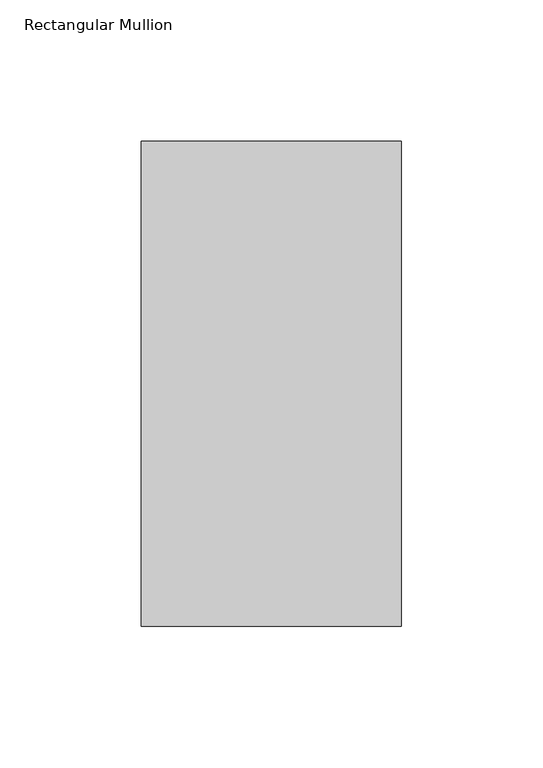
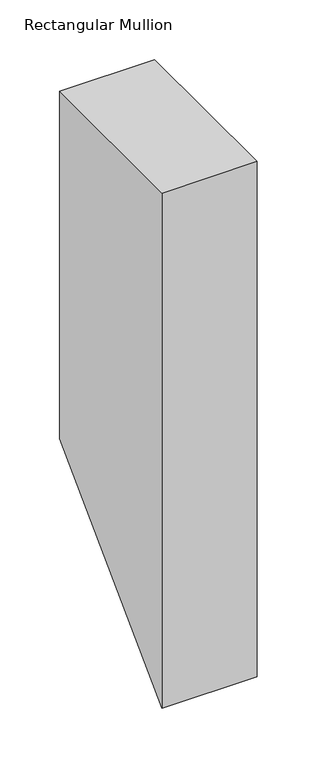
"""IFC4 building model written with IfcOpenShell, lengths in millimetres: member geometry, Rectangular Mullion."""

from ifc_helpers import new_model, si_unit, frame, origin, place, context, project, spatial, polyline, outline, extrude, source, transform, mapped, element, save


def rectangular_mullion_91a31955(model_context):
    return source(origin(), model_context, "Body", "SweptSolid", [
        extrude(outline(polyline([(50.820278, 0.0), (222.5496791, 0.0), (222.5496791, -355.3003206), (50.820278, -527.0297217), (50.820278, 0.0)])), frame((-92.0749999, 0.0, 0.0), z_axis=(1.0, 0.0, 0.0), x_axis=(0.0, 1.0, 0.0)), (0.0, 0.0, 1.0), 92.0749999),
    ])


if __name__ == "__main__":
    model = new_model("IFC4")
    model_context = context("Model", 3, world=origin())
    ifc_project = project(units=[si_unit("LENGTHUNIT", "METRE", prefix="MILLI")], contexts=[model_context])
    site = spatial("IfcSite", under=ifc_project)
    building = spatial("IfcBuilding", under=site)
    placement = place(None, origin())
    rectangular_mullion_shape = rectangular_mullion_91a31955(model_context)
    element("IfcMember", 1, ObjectType="Rectangular Mullion", at=placement, inside=building, context=model_context, shape_type="MappedRepresentation", body=[
        mapped(rectangular_mullion_shape, transform((0.0, 0.0, 0.0), x_axis=(1.0, 0.0, 0.0), y_axis=(0.0, 1.0, 0.0), z_axis=(0.0, 0.0, 1.0))),
    ])
    save(model, "model.ifc")
